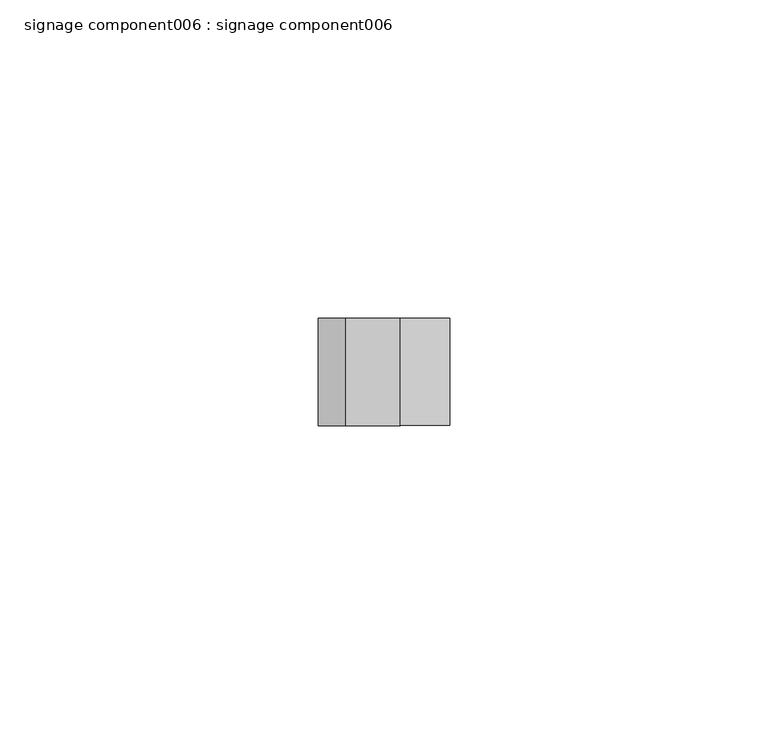
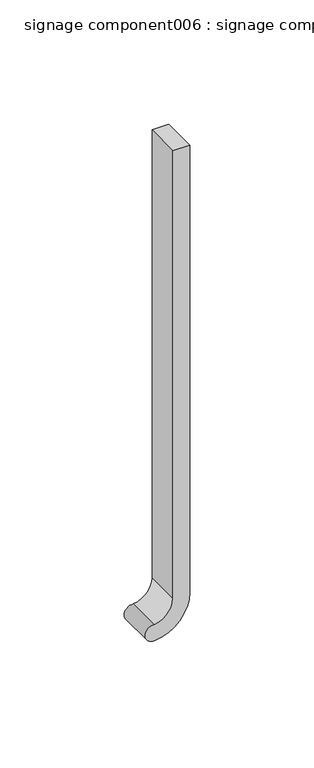
"""IFC4 building model written with IfcOpenShell, lengths in millimetres: proxy geometry, signage component006 : signage component006."""

from ifc_helpers import new_model, si_unit, point, frame, frame_2d, origin, place, context, project, spatial, polyline, circle_curve, trimmed, segment, composite_curve, outline, extrude, source, transform, mapped, element, save


def signage_component006_signage_component006_1b81cd07(model_context):
    return source(origin(), model_context, "Body", "SweptSolid", [
        extrude(outline(composite_curve([segment(trimmed(circle_curve(frame_2d((3035.6982704, 39580.4652539)), 10.0446089), [point((3035.6982704, 39590.5098627))], [point((3025.7538227, 39581.8802193))], True, "CARTESIAN"), True, "CONTINUOUS"), segment(trimmed(circle_curve(frame_2d((3021.8345465, 39581.5683687)), 3.9316634), [point((3025.7538227, 39581.8802193))], [point((3017.9152702, 39581.8802194))], False, "CARTESIAN"), True, "CONTINUOUS"), segment(trimmed(circle_curve(frame_2d((3035.6982704, 39580.4652538)), 17.8392047), [point((3017.9152702, 39581.8802194))], [point((3035.6982704, 39598.3044585))], False, "CARTESIAN"), True, "CONTINUOUS"), segment(polyline([(3035.6982704, 39598.3044585), (3255.5602409, 39598.3044585), (3255.5602409, 39590.5098627), (3035.6982704, 39590.5098627)]), True, "CONTINUOUS")], self_intersect=False)), frame((0.0, -25110.0893227, 0.0), z_axis=(0.0, 1.0, 0.0), x_axis=(0.0, 0.0, 1.0)), (0.0, 0.0, 1.0), 16.8334581),
    ])


if __name__ == "__main__":
    model = new_model("IFC4")
    model_context = context("Model", 3, world=origin())
    ifc_project = project(units=[si_unit("LENGTHUNIT", "METRE", prefix="MILLI")], contexts=[model_context])
    site = spatial("IfcSite", under=ifc_project)
    building = spatial("IfcBuilding", under=site)
    placement = place(None, origin())
    signage_component006_signage_component006_shape = signage_component006_signage_component006_1b81cd07(model_context)
    element("IfcBuildingElementProxy", 1, Name="signage component006 : signage component006", ObjectType="signage component006 : signage component006", at=placement, inside=building, context=model_context, shape_type="MappedRepresentation", body=[
        mapped(signage_component006_signage_component006_shape, transform((0.0, 0.0, 0.0), x_axis=(1.0, 0.0, 0.0), y_axis=(0.0, 1.0, 0.0), z_axis=(0.0, 0.0, 1.0))),
    ])
    save(model, "model.ifc")
